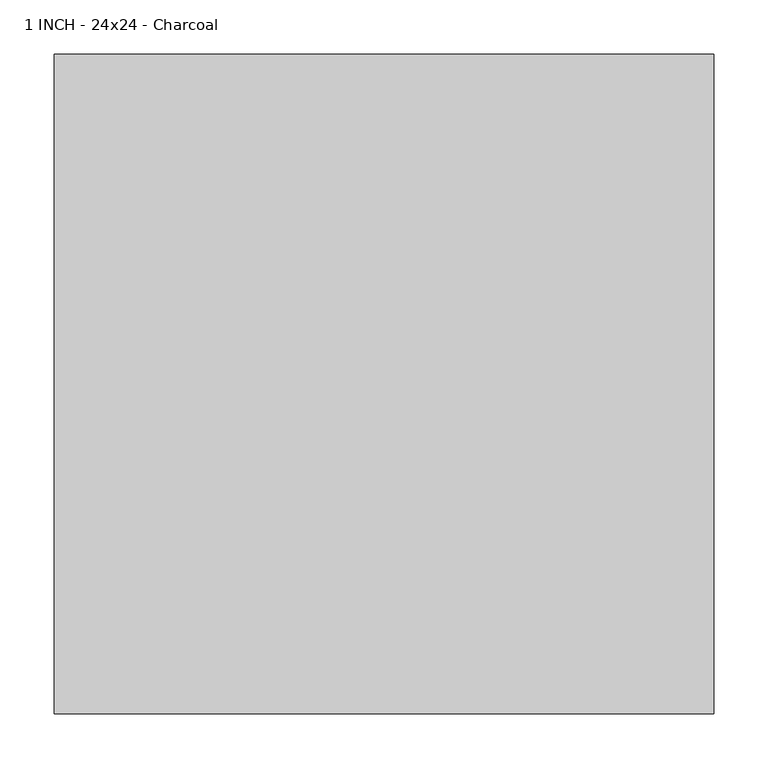
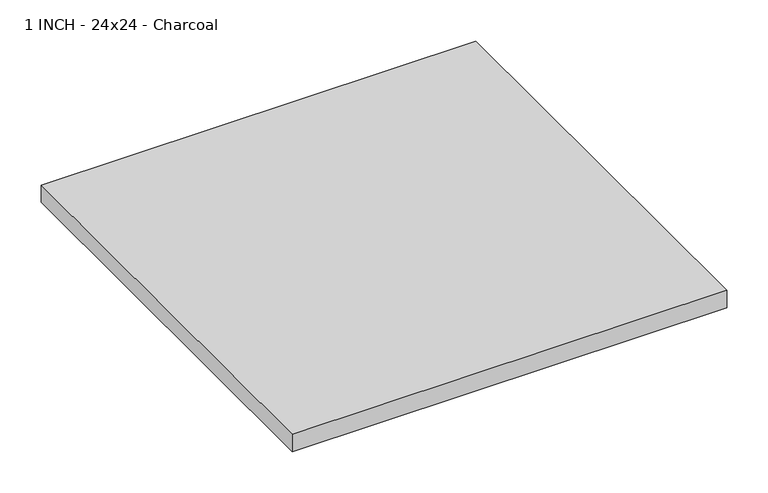
"""IFC4 building model written with IfcOpenShell, lengths in millimetres: proxy geometry, 1 INCH - 24x24 - Charcoal."""

import ifcopenshell
import ifcopenshell.guid

model = None  # the IFC model being written
_history = None  # IfcOwnerHistory: only IFC2X3 demands one
_inside = {}  # id of a spatial element -> (the spatial element, [elements in it])
_under = {}  # id of a project, library or spatial element -> (it, [spatial elements below it])
_declared = {}  # id of a project -> (the project, [libraries it declares])
_typed = {}  # id of a type object -> (the type object, [elements of that type])
_made_of = {}  # id of a material, layer set ... -> (it, [elements and type objects made of it])


def new_model(schema):
    """Start an empty IFC model of exactly this schema.

    Asked for "IFC4X3", IfcOpenShell would pick the latest addendum, in which some entities
    have other attributes; the version numbers below select the first issue.
    IFC2X3 requires an IfcOwnerHistory on every rooted entity: one is made here for all.
    """
    global model, _history
    if schema == "IFC4X3":
        model = ifcopenshell.file(schema_version=(4, 3, 0, 0))
    else:
        model = ifcopenshell.file(schema=schema)
    _inside.clear()
    _under.clear()
    _declared.clear()
    _typed.clear()
    _made_of.clear()
    _history = None
    if model.schema == "IFC2X3":
        org = make("IfcOrganization", Name="unknown")
        user = make(
            "IfcPersonAndOrganization",
            ThePerson=make("IfcPerson", FamilyName="unknown"),
            TheOrganization=org,
        )
        app = make(
            "IfcApplication",
            ApplicationDeveloper=org,
            Version="unknown",
            ApplicationFullName="unknown",
            ApplicationIdentifier="unknown",
        )
        _history = make(
            "IfcOwnerHistory",
            OwningUser=user,
            OwningApplication=app,
            ChangeAction="ADDED",
            CreationDate=0,
        )
    return model


def make(cls, **values):
    """One entity of the class cls with the attributes given. An attribute that is None is left unset."""
    return model.create_entity(
        cls, **{name: value for name, value in values.items() if value is not None}
    )


def rooted(cls, **values):
    """An entity with a GlobalId (a new one), such as an element, a storey or a relation."""
    return make(cls, GlobalId=ifcopenshell.guid.new(), OwnerHistory=_history, **values)


def si_unit(unit_type, name, prefix=None):
    """IfcSIUnit, for example si_unit("LENGTHUNIT", "METRE", prefix="MILLI")."""
    return make("IfcSIUnit", UnitType=unit_type, Prefix=prefix, Name=name)


def assignment(units):
    """IfcUnitAssignment: the units of a project."""
    return None if units is None else make("IfcUnitAssignment", Units=units)


def point(xyz):
    """IfcCartesianPoint."""
    return None if xyz is None else make("IfcCartesianPoint", Coordinates=xyz)


def direction(xyz):
    """IfcDirection."""
    return None if xyz is None else make("IfcDirection", DirectionRatios=xyz)


def frame(location, z_axis=None, x_axis=None):
    """IfcAxis2Placement3D, a coordinate frame: its origin and axes. An axis left out is left unset."""
    return make(
        "IfcAxis2Placement3D",
        Location=point(location),
        Axis=direction(z_axis),
        RefDirection=direction(x_axis),
    )


def origin():
    """The frame at (0, 0, 0) with its axes left unset."""
    return frame((0.0, 0.0, 0.0))


def origin_with_axes():
    """The frame at (0, 0, 0) with the z axis (0, 0, 1) and the x axis (1, 0, 0) written out."""
    return frame((0.0, 0.0, 0.0), z_axis=(0.0, 0.0, 1.0), x_axis=(1.0, 0.0, 0.0))


def place(relative_to, where):
    """IfcLocalPlacement: puts the frame where relative to a parent placement (None: the world)."""
    return make(
        "IfcLocalPlacement", PlacementRelTo=relative_to, RelativePlacement=where
    )


def context(
    kind, dimensions, precision=None, world=None, true_north=None, identifier=None
):
    """IfcGeometricRepresentationContext, for example the 3D "Model" context."""
    return make(
        "IfcGeometricRepresentationContext",
        ContextIdentifier=identifier,
        ContextType=kind,
        CoordinateSpaceDimension=dimensions,
        Precision=precision,
        WorldCoordinateSystem=world,
        TrueNorth=true_north,
    )


def project(units=None, contexts=None):
    """IfcProject with its units and contexts."""
    return rooted(
        "IfcProject",
        Name="project",
        RepresentationContexts=contexts,
        UnitsInContext=assignment(units),
    )


def spatial(cls, under=None, at=None, **own):
    """A site, building, storey or space (cls), placed at a placement, below another one or the project."""
    s = rooted(cls, ObjectPlacement=at, **own)
    if under is not None:
        _under.setdefault(under.id(), (under, []))[1].append(s)
    return s


def polyline(points):
    """IfcPolyline through the points."""
    return make("IfcPolyline", Points=[point(p) for p in points])


def outline(outer, holes=None, kind="AREA"):
    """IfcArbitraryClosedProfileDef: a profile drawn as a closed curve; with holes, ...WithVoids."""
    if holes is None:
        return make("IfcArbitraryClosedProfileDef", ProfileType=kind, OuterCurve=outer)
    return make(
        "IfcArbitraryProfileDefWithVoids",
        ProfileType=kind,
        OuterCurve=outer,
        InnerCurves=holes,
    )


def extrude(swept, where, along, depth):
    """IfcExtrudedAreaSolid: the profile swept, set in the frame where, extruded along a direction by depth."""
    return make(
        "IfcExtrudedAreaSolid",
        SweptArea=swept,
        Position=where,
        ExtrudedDirection=direction(along),
        Depth=depth,
    )


def shape(context_of_items, identifier, shape_type, items):
    """IfcShapeRepresentation: the items that make up one representation, for example the "Body"."""
    return make(
        "IfcShapeRepresentation",
        ContextOfItems=context_of_items,
        RepresentationIdentifier=identifier,
        RepresentationType=shape_type,
        Items=items,
    )


def source(mapping_origin, context_of_items, identifier, shape_type, items):
    """IfcRepresentationMap: a shape defined once, which mapped items show again and again."""
    return make(
        "IfcRepresentationMap",
        MappingOrigin=mapping_origin,
        MappedRepresentation=shape(context_of_items, identifier, shape_type, items),
    )


def transform(
    local_origin,
    x_axis=None,
    y_axis=None,
    z_axis=None,
    scale=None,
    scale2=None,
    scale3=None,
    uniform=True,
):
    """IfcCartesianTransformationOperator3D, or its non-uniform kind. x_axis, y_axis, z_axis: its Axis1, 2, 3."""
    if uniform:
        return make(
            "IfcCartesianTransformationOperator3D",
            Axis1=direction(x_axis),
            Axis2=direction(y_axis),
            LocalOrigin=point(local_origin),
            Scale=scale,
            Axis3=direction(z_axis),
        )
    return make(
        "IfcCartesianTransformationOperator3DnonUniform",
        Axis1=direction(x_axis),
        Axis2=direction(y_axis),
        LocalOrigin=point(local_origin),
        Scale=scale,
        Axis3=direction(z_axis),
        Scale2=scale2,
        Scale3=scale3,
    )


def mapped(mapping_source, mapping_target):
    """IfcMappedItem: shows the shape of a source again, moved by a transform."""
    return make(
        "IfcMappedItem", MappingSource=mapping_source, MappingTarget=mapping_target
    )


def made_of(thing, what):
    """Note that an element or type object is made of a material, layer set ...; save() writes the relation."""
    if what is not None:
        _made_of.setdefault(what.id(), (what, []))[1].append(thing)
    return thing


def element(
    cls,
    number,
    at=None,
    inside=None,
    cuts=None,
    type_object=None,
    material=None,
    context=None,
    identifier="Body",
    shape_type=None,
    held_by="IfcProductDefinitionShape",
    body=None,
    shapes=None,
    **own,
):
    """One element of the class cls, such as IfcWall. Its Tag is "e" and its number.

    at: its placement. inside: the storey or other place that contains it. cuts: it is an
    opening in that element (IfcRelVoidsElement). A single representation is given by context,
    identifier, shape_type and body (its items); several are given by shapes. held_by: the class
    of the entity that holds the representations. save() writes the other relations.
    """
    e = rooted(cls, Tag="e%d" % number, ObjectPlacement=at, **own)
    if body is not None:
        shapes = [shape(context, identifier, shape_type, body)]
    if shapes is not None:
        e.Representation = make(held_by, Representations=shapes)
    if inside is not None:
        _inside.setdefault(inside.id(), (inside, []))[1].append(e)
    if cuts is not None:
        rooted(
            "IfcRelVoidsElement", RelatingBuildingElement=cuts, RelatedOpeningElement=e
        )
    if type_object is not None:
        _typed.setdefault(type_object.id(), (type_object, []))[1].append(e)
    return made_of(e, material)


def aggregate(whole, parts):
    """IfcRelAggregates: a whole, such as a stair, and the parts it consists of."""
    return rooted("IfcRelAggregates", RelatingObject=whole, RelatedObjects=parts)


def save(model, path):
    """Write the relations noted so far, then the file.

    IfcRelAggregates (storeys below a building ...), IfcRelContainedInSpatialStructure (elements
    in a storey), IfcRelDefinesByType, IfcRelAssociatesMaterial and IfcRelDeclares: one each for
    every whole, place, type object, material and project.
    """
    for whole, parts in _under.values():
        aggregate(whole, parts)
    for where, things in _inside.values():
        rooted(
            "IfcRelContainedInSpatialStructure",
            RelatedElements=things,
            RelatingStructure=where,
        )
    for kind, things in _typed.values():
        rooted("IfcRelDefinesByType", RelatedObjects=things, RelatingType=kind)
    for what, things in _made_of.values():
        rooted("IfcRelAssociatesMaterial", RelatedObjects=things, RelatingMaterial=what)
    for by, libraries in _declared.values():
        rooted("IfcRelDeclares", RelatingContext=by, RelatedDefinitions=libraries)
    model.write(path)


def proxy_1_inch_24x24_charcoal_ee6e0225(model_context):
    return source(origin(), model_context, "Body", "SweptSolid", [
        extrude(outline(polyline([(-304.8, 304.8), (304.8, 304.8), (304.8, -304.8), (-304.8, -304.8), (-304.8, 304.8)])), origin_with_axes(), (0.0, 0.0, 1.0), 25.4),
    ])


if __name__ == "__main__":
    model = new_model("IFC4")
    model_context = context("Model", 3, world=origin())
    ifc_project = project(units=[si_unit("LENGTHUNIT", "METRE", prefix="MILLI")], contexts=[model_context])
    site = spatial("IfcSite", under=ifc_project)
    building = spatial("IfcBuilding", under=site)
    placement = place(None, origin())
    proxy_1_inch_24x24_charcoal_shape = proxy_1_inch_24x24_charcoal_ee6e0225(model_context)
    element("IfcBuildingElementProxy", 1, Name="1 INCH - 24x24 - Charcoal", ObjectType="1 INCH - 24x24 - Charcoal", at=placement, inside=building, context=model_context, shape_type="MappedRepresentation", body=[
        mapped(proxy_1_inch_24x24_charcoal_shape, transform((0.0, 0.0, 0.0), x_axis=(1.0, 0.0, 0.0), y_axis=(0.0, 1.0, 0.0), z_axis=(0.0, 0.0, 1.0))),
    ])
    save(model, "model.ifc")
